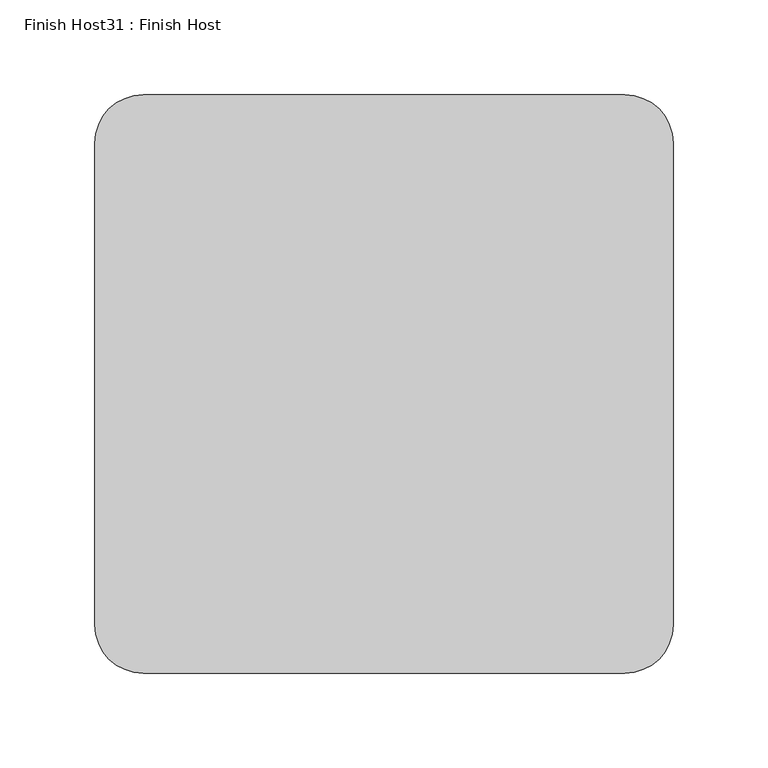
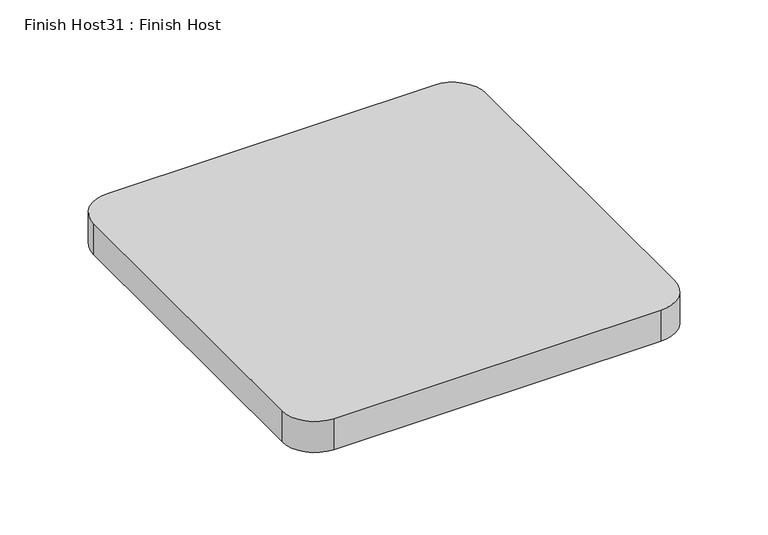
"""IFC4 building model written with IfcOpenShell, lengths in millimetres: proxy geometry, Finish Host31 : Finish Host."""

from ifc_helpers import new_model, si_unit, point, frame_2d, origin, origin_with_axes, place, context, project, spatial, polyline, circle_curve, trimmed, segment, composite_curve, outline, extrude, source, transform, mapped, element, save


def finish_host31_finish_host_b5f629f3(model_context):
    return source(origin(), model_context, "Body", "SweptSolid", [
        extrude(outline(composite_curve([segment(polyline([(4239.0934426, 546.4122951), (4239.0934426, 800.4122951)]), True, "CONTINUOUS"), segment(trimmed(circle_curve(frame_2d((4264.4934426, 800.4122951)), 25.4), [point((4239.0934426, 800.4122951))], [point((4264.4934426, 825.8122951))], False, "CARTESIAN"), True, "CONTINUOUS"), segment(polyline([(4264.4934426, 825.8122951), (4518.4934426, 825.8122951)]), True, "CONTINUOUS"), segment(trimmed(circle_curve(frame_2d((4518.4934426, 800.4122951)), 25.4), [point((4518.4934426, 825.8122951))], [point((4543.8934426, 800.4122951))], False, "CARTESIAN"), True, "CONTINUOUS"), segment(polyline([(4543.8934426, 800.4122951), (4543.8934426, 546.4122951)]), True, "CONTINUOUS"), segment(trimmed(circle_curve(frame_2d((4518.4934426, 546.4122951)), 25.4), [point((4543.8934426, 546.4122951))], [point((4518.4934426, 521.0122951))], False, "CARTESIAN"), True, "CONTINUOUS"), segment(polyline([(4518.4934426, 521.0122951), (4264.4934426, 521.0122951)]), True, "CONTINUOUS"), segment(trimmed(circle_curve(frame_2d((4264.4934426, 546.4122951)), 25.4), [point((4264.4934426, 521.0122951))], [point((4239.0934426, 546.4122951))], False, "CARTESIAN"), True, "CONTINUOUS")], self_intersect=False)), origin_with_axes(), (0.0, 0.0, 1.0), 25.4),
    ])


if __name__ == "__main__":
    model = new_model("IFC4")
    model_context = context("Model", 3, world=origin())
    ifc_project = project(units=[si_unit("LENGTHUNIT", "METRE", prefix="MILLI")], contexts=[model_context])
    site = spatial("IfcSite", under=ifc_project)
    building = spatial("IfcBuilding", under=site)
    placement = place(None, origin())
    finish_host31_finish_host_shape = finish_host31_finish_host_b5f629f3(model_context)
    element("IfcBuildingElementProxy", 1, Name="Finish Host31 : Finish Host", ObjectType="Finish Host31 : Finish Host", at=placement, inside=building, context=model_context, shape_type="MappedRepresentation", body=[
        mapped(finish_host31_finish_host_shape, transform((0.0, 0.0, 0.0), x_axis=(1.0, 0.0, 0.0), y_axis=(0.0, 1.0, 0.0), z_axis=(0.0, 0.0, 1.0))),
    ])
    save(model, "model.ifc")
